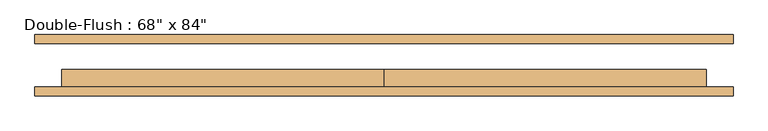
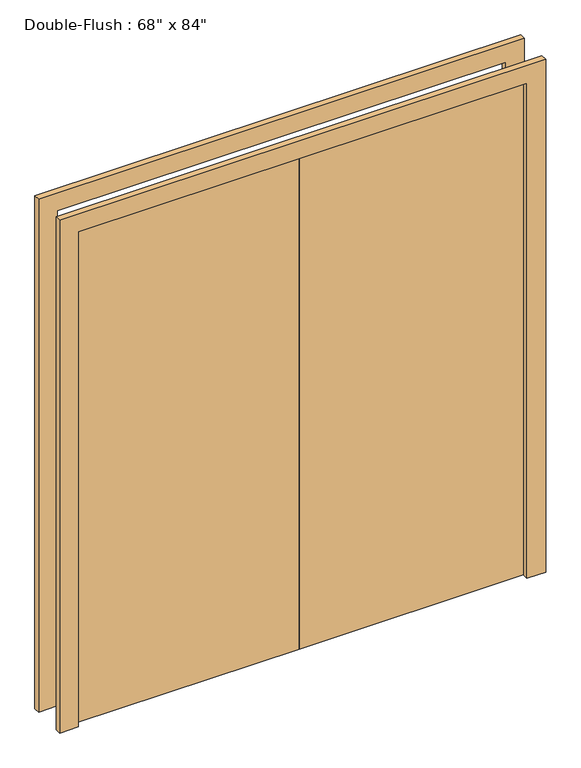
"""IFC4 building model written with IfcOpenShell, lengths in millimetres: door geometry."""

from ifc_helpers import new_model, si_unit, frame, origin, origin_with_axes, place, context, project, spatial, polyline, outline, extrude, source, transform, mapped, element, save


def door_e729474a(model_context):
    return source(origin(), model_context, "Body", "SweptSolid", [
        extrude(outline(polyline([(0.0, -61.9125), (0.0, -11.1125), (914.4, -11.1125), (914.4, -61.9125), (0.0, -61.9125)])), origin_with_axes(), (0.0, 0.0, 1.0), 2133.6),
        extrude(outline(polyline([(-914.4, -61.9125), (-914.4, -11.1125), (0.0, -11.1125), (0.0, -61.9125), (-914.4, -61.9125)])), origin_with_axes(), (0.0, 0.0, 1.0), 2133.6),
        extrude(outline(polyline([(2133.6, -914.4), (2133.6, 914.4), (0.0, 914.4), (0.0, 990.6), (2209.8, 990.6), (2209.8, -990.6), (0.0, -990.6), (0.0, -914.4), (2133.6, -914.4)])), frame((0.0, 61.9125, 0.0), z_axis=(0.0, 1.0, 0.0), x_axis=(0.0, 0.0, 1.0)), (0.0, 0.0, 1.0), 25.4),
        extrude(outline(polyline([(2133.6, -914.4), (2133.6, 914.4), (0.0, 914.4), (0.0, 990.6), (2209.8, 990.6), (2209.8, -990.6), (0.0, -990.6), (0.0, -914.4), (2133.6, -914.4)])), frame((0.0, -87.3125, 0.0), z_axis=(0.0, 1.0, 0.0), x_axis=(0.0, 0.0, 1.0)), (0.0, 0.0, 1.0), 25.4),
    ])


if __name__ == "__main__":
    model = new_model("IFC4")
    model_context = context("Model", 3, world=origin())
    ifc_project = project(units=[si_unit("LENGTHUNIT", "METRE", prefix="MILLI")], contexts=[model_context])
    site = spatial("IfcSite", under=ifc_project)
    building = spatial("IfcBuilding", under=site)
    placement = place(None, origin())
    door_shape = door_e729474a(model_context)
    element("IfcDoor", 1, ObjectType="Double-Flush : 68\" x 84\"", at=placement, inside=building, context=model_context, shape_type="MappedRepresentation", body=[
        mapped(door_shape, transform((0.0, 0.0, 0.0), x_axis=(1.0, 0.0, 0.0), y_axis=(0.0, 1.0, 0.0), z_axis=(0.0, 0.0, 1.0))),
    ])
    save(model, "model.ifc")
